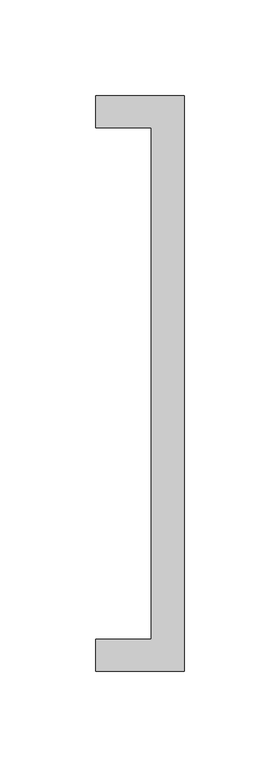
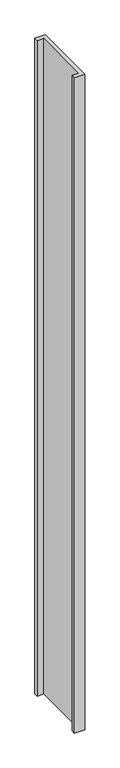
"""IFC4 building model written with IfcOpenShell, lengths in millimetres: proxy geometry."""

from ifc_helpers import new_model, si_unit, origin, origin_with_axes, place, context, project, spatial, polyline, outline, extrude, source, transform, mapped, element, save


def specialty_equipment_5dc34f52(model_context):
    return source(origin(), model_context, "Body", "SweptSolid", [
        extrude(outline(polyline([(1338.9581075, -275.7859375), (1338.9581075, -8.7859375), (1309.9581075, -8.7859375), (1309.9581075, 7.7140625), (1355.9581075, 7.7140625), (1355.9581075, -292.2859375), (1309.9581075, -292.2859375), (1309.9581075, -275.7859375), (1338.9581075, -275.7859375)])), origin_with_axes(), (0.0, 0.0, 1.0), 3048.0),
    ])


if __name__ == "__main__":
    model = new_model("IFC4")
    model_context = context("Model", 3, world=origin())
    ifc_project = project(units=[si_unit("LENGTHUNIT", "METRE", prefix="MILLI")], contexts=[model_context])
    site = spatial("IfcSite", under=ifc_project)
    building = spatial("IfcBuilding", under=site)
    placement = place(None, origin())
    specialty_equipment_shape = specialty_equipment_5dc34f52(model_context)
    element("IfcBuildingElementProxy", 1, Name="Specialty Equipment", at=placement, inside=building, context=model_context, shape_type="MappedRepresentation", body=[
        mapped(specialty_equipment_shape, transform((0.0, 0.0, 0.0), x_axis=(1.0, 0.0, 0.0), y_axis=(0.0, 1.0, 0.0), z_axis=(0.0, 0.0, 1.0))),
    ])
    save(model, "model.ifc")
